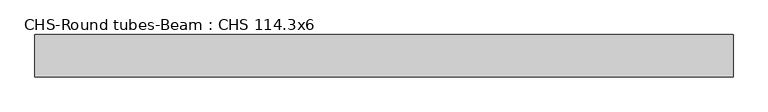
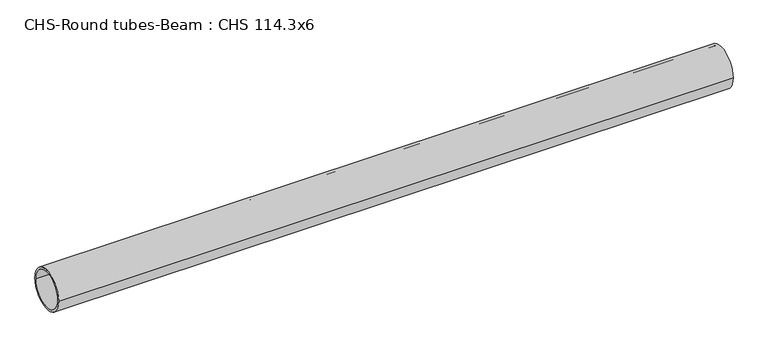
"""IFC4 building model written with IfcOpenShell, lengths in millimetres: beam geometry, CHS-Round tubes-Beam : CHS 114.3x6."""

import ifcopenshell
import ifcopenshell.guid

model = None  # the IFC model being written
_history = None  # IfcOwnerHistory: only IFC2X3 demands one
_inside = {}  # id of a spatial element -> (the spatial element, [elements in it])
_under = {}  # id of a project, library or spatial element -> (it, [spatial elements below it])
_declared = {}  # id of a project -> (the project, [libraries it declares])
_typed = {}  # id of a type object -> (the type object, [elements of that type])
_made_of = {}  # id of a material, layer set ... -> (it, [elements and type objects made of it])


def new_model(schema):
    """Start an empty IFC model of exactly this schema.

    Asked for "IFC4X3", IfcOpenShell would pick the latest addendum, in which some entities
    have other attributes; the version numbers below select the first issue.
    IFC2X3 requires an IfcOwnerHistory on every rooted entity: one is made here for all.
    """
    global model, _history
    if schema == "IFC4X3":
        model = ifcopenshell.file(schema_version=(4, 3, 0, 0))
    else:
        model = ifcopenshell.file(schema=schema)
    _inside.clear()
    _under.clear()
    _declared.clear()
    _typed.clear()
    _made_of.clear()
    _history = None
    if model.schema == "IFC2X3":
        org = make("IfcOrganization", Name="unknown")
        user = make(
            "IfcPersonAndOrganization",
            ThePerson=make("IfcPerson", FamilyName="unknown"),
            TheOrganization=org,
        )
        app = make(
            "IfcApplication",
            ApplicationDeveloper=org,
            Version="unknown",
            ApplicationFullName="unknown",
            ApplicationIdentifier="unknown",
        )
        _history = make(
            "IfcOwnerHistory",
            OwningUser=user,
            OwningApplication=app,
            ChangeAction="ADDED",
            CreationDate=0,
        )
    return model


def make(cls, **values):
    """One entity of the class cls with the attributes given. An attribute that is None is left unset."""
    return model.create_entity(
        cls, **{name: value for name, value in values.items() if value is not None}
    )


def rooted(cls, **values):
    """An entity with a GlobalId (a new one), such as an element, a storey or a relation."""
    return make(cls, GlobalId=ifcopenshell.guid.new(), OwnerHistory=_history, **values)


def si_unit(unit_type, name, prefix=None):
    """IfcSIUnit, for example si_unit("LENGTHUNIT", "METRE", prefix="MILLI")."""
    return make("IfcSIUnit", UnitType=unit_type, Prefix=prefix, Name=name)


def assignment(units):
    """IfcUnitAssignment: the units of a project."""
    return None if units is None else make("IfcUnitAssignment", Units=units)


def point(xyz):
    """IfcCartesianPoint."""
    return None if xyz is None else make("IfcCartesianPoint", Coordinates=xyz)


def direction(xyz):
    """IfcDirection."""
    return None if xyz is None else make("IfcDirection", DirectionRatios=xyz)


def frame(location, z_axis=None, x_axis=None):
    """IfcAxis2Placement3D, a coordinate frame: its origin and axes. An axis left out is left unset."""
    return make(
        "IfcAxis2Placement3D",
        Location=point(location),
        Axis=direction(z_axis),
        RefDirection=direction(x_axis),
    )


def frame_2d(location, x_axis=None):
    """IfcAxis2Placement2D, a coordinate frame in the plane: its origin and x axis."""
    return make(
        "IfcAxis2Placement2D", Location=point(location), RefDirection=direction(x_axis)
    )


def origin():
    """The frame at (0, 0, 0) with its axes left unset."""
    return frame((0.0, 0.0, 0.0))


def origin_2d():
    """The frame at (0, 0) in the plane with its x axis left unset."""
    return frame_2d((0.0, 0.0))


def place(relative_to, where):
    """IfcLocalPlacement: puts the frame where relative to a parent placement (None: the world)."""
    return make(
        "IfcLocalPlacement", PlacementRelTo=relative_to, RelativePlacement=where
    )


def context(
    kind, dimensions, precision=None, world=None, true_north=None, identifier=None
):
    """IfcGeometricRepresentationContext, for example the 3D "Model" context."""
    return make(
        "IfcGeometricRepresentationContext",
        ContextIdentifier=identifier,
        ContextType=kind,
        CoordinateSpaceDimension=dimensions,
        Precision=precision,
        WorldCoordinateSystem=world,
        TrueNorth=true_north,
    )


def project(units=None, contexts=None):
    """IfcProject with its units and contexts."""
    return rooted(
        "IfcProject",
        Name="project",
        RepresentationContexts=contexts,
        UnitsInContext=assignment(units),
    )


def spatial(cls, under=None, at=None, **own):
    """A site, building, storey or space (cls), placed at a placement, below another one or the project."""
    s = rooted(cls, ObjectPlacement=at, **own)
    if under is not None:
        _under.setdefault(under.id(), (under, []))[1].append(s)
    return s


def circle_curve(where, radius):
    """IfcCircle in the frame where."""
    return make("IfcCircle", Position=where, Radius=radius)


def trimmed(basis, trim1, trim2, sense, master):
    """IfcTrimmedCurve: the piece of a basis curve between two trims."""
    return make(
        "IfcTrimmedCurve",
        BasisCurve=basis,
        Trim1=trim1,
        Trim2=trim2,
        SenseAgreement=sense,
        MasterRepresentation=master,
    )


def segment(curve, same_sense, transition):
    """IfcCompositeCurveSegment."""
    return make(
        "IfcCompositeCurveSegment",
        Transition=transition,
        SameSense=same_sense,
        ParentCurve=curve,
    )


def composite_curve(segments, self_intersect=None):
    """IfcCompositeCurve: segments joined end to end."""
    return make("IfcCompositeCurve", Segments=segments, SelfIntersect=self_intersect)


def outline(outer, holes=None, kind="AREA"):
    """IfcArbitraryClosedProfileDef: a profile drawn as a closed curve; with holes, ...WithVoids."""
    if holes is None:
        return make("IfcArbitraryClosedProfileDef", ProfileType=kind, OuterCurve=outer)
    return make(
        "IfcArbitraryProfileDefWithVoids",
        ProfileType=kind,
        OuterCurve=outer,
        InnerCurves=holes,
    )


def extrude(swept, where, along, depth):
    """IfcExtrudedAreaSolid: the profile swept, set in the frame where, extruded along a direction by depth."""
    return make(
        "IfcExtrudedAreaSolid",
        SweptArea=swept,
        Position=where,
        ExtrudedDirection=direction(along),
        Depth=depth,
    )


def shape(context_of_items, identifier, shape_type, items):
    """IfcShapeRepresentation: the items that make up one representation, for example the "Body"."""
    return make(
        "IfcShapeRepresentation",
        ContextOfItems=context_of_items,
        RepresentationIdentifier=identifier,
        RepresentationType=shape_type,
        Items=items,
    )


def source(mapping_origin, context_of_items, identifier, shape_type, items):
    """IfcRepresentationMap: a shape defined once, which mapped items show again and again."""
    return make(
        "IfcRepresentationMap",
        MappingOrigin=mapping_origin,
        MappedRepresentation=shape(context_of_items, identifier, shape_type, items),
    )


def transform(
    local_origin,
    x_axis=None,
    y_axis=None,
    z_axis=None,
    scale=None,
    scale2=None,
    scale3=None,
    uniform=True,
):
    """IfcCartesianTransformationOperator3D, or its non-uniform kind. x_axis, y_axis, z_axis: its Axis1, 2, 3."""
    if uniform:
        return make(
            "IfcCartesianTransformationOperator3D",
            Axis1=direction(x_axis),
            Axis2=direction(y_axis),
            LocalOrigin=point(local_origin),
            Scale=scale,
            Axis3=direction(z_axis),
        )
    return make(
        "IfcCartesianTransformationOperator3DnonUniform",
        Axis1=direction(x_axis),
        Axis2=direction(y_axis),
        LocalOrigin=point(local_origin),
        Scale=scale,
        Axis3=direction(z_axis),
        Scale2=scale2,
        Scale3=scale3,
    )


def mapped(mapping_source, mapping_target):
    """IfcMappedItem: shows the shape of a source again, moved by a transform."""
    return make(
        "IfcMappedItem", MappingSource=mapping_source, MappingTarget=mapping_target
    )


def made_of(thing, what):
    """Note that an element or type object is made of a material, layer set ...; save() writes the relation."""
    if what is not None:
        _made_of.setdefault(what.id(), (what, []))[1].append(thing)
    return thing


def element(
    cls,
    number,
    at=None,
    inside=None,
    cuts=None,
    type_object=None,
    material=None,
    context=None,
    identifier="Body",
    shape_type=None,
    held_by="IfcProductDefinitionShape",
    body=None,
    shapes=None,
    **own,
):
    """One element of the class cls, such as IfcWall. Its Tag is "e" and its number.

    at: its placement. inside: the storey or other place that contains it. cuts: it is an
    opening in that element (IfcRelVoidsElement). A single representation is given by context,
    identifier, shape_type and body (its items); several are given by shapes. held_by: the class
    of the entity that holds the representations. save() writes the other relations.
    """
    e = rooted(cls, Tag="e%d" % number, ObjectPlacement=at, **own)
    if body is not None:
        shapes = [shape(context, identifier, shape_type, body)]
    if shapes is not None:
        e.Representation = make(held_by, Representations=shapes)
    if inside is not None:
        _inside.setdefault(inside.id(), (inside, []))[1].append(e)
    if cuts is not None:
        rooted(
            "IfcRelVoidsElement", RelatingBuildingElement=cuts, RelatedOpeningElement=e
        )
    if type_object is not None:
        _typed.setdefault(type_object.id(), (type_object, []))[1].append(e)
    return made_of(e, material)


def aggregate(whole, parts):
    """IfcRelAggregates: a whole, such as a stair, and the parts it consists of."""
    return rooted("IfcRelAggregates", RelatingObject=whole, RelatedObjects=parts)


def save(model, path):
    """Write the relations noted so far, then the file.

    IfcRelAggregates (storeys below a building ...), IfcRelContainedInSpatialStructure (elements
    in a storey), IfcRelDefinesByType, IfcRelAssociatesMaterial and IfcRelDeclares: one each for
    every whole, place, type object, material and project.
    """
    for whole, parts in _under.values():
        aggregate(whole, parts)
    for where, things in _inside.values():
        rooted(
            "IfcRelContainedInSpatialStructure",
            RelatedElements=things,
            RelatingStructure=where,
        )
    for kind, things in _typed.values():
        rooted("IfcRelDefinesByType", RelatedObjects=things, RelatingType=kind)
    for what, things in _made_of.values():
        rooted("IfcRelAssociatesMaterial", RelatedObjects=things, RelatingMaterial=what)
    for by, libraries in _declared.values():
        rooted("IfcRelDeclares", RelatingContext=by, RelatedDefinitions=libraries)
    model.write(path)


def chs_round_tubes_beam_chs_114_3x6_885fc8cd(model_context):
    return source(origin(), model_context, "Body", "SweptSolid", [
        extrude(outline(composite_curve([segment(trimmed(circle_curve(origin_2d(), 57.15), [point((57.15, 0.0))], [point((-57.15, 0.0))], False, "CARTESIAN"), True, "CONTINUOUS"), segment(trimmed(circle_curve(origin_2d(), 57.15), [point((-57.15, 0.0))], [point((57.15, 0.0))], False, "CARTESIAN"), True, "CONTINUOUS")], self_intersect=False), holes=[composite_curve([segment(trimmed(circle_curve(origin_2d(), 51.15), [point((51.15, 0.0))], [point((-51.15, 0.0))], True, "CARTESIAN"), True, "CONTINUOUS"), segment(trimmed(circle_curve(origin_2d(), 51.15), [point((-51.15, 0.0))], [point((51.15, 0.0))], True, "CARTESIAN"), True, "CONTINUOUS")], self_intersect=False)]), frame((-940.7195784, 0.0, 0.0), z_axis=(1.0, 0.0, 0.0), x_axis=(0.0, 1.0, 0.0)), (0.0, 0.0, 1.0), 1876.5022577),
    ])


if __name__ == "__main__":
    model = new_model("IFC4")
    model_context = context("Model", 3, world=origin())
    ifc_project = project(units=[si_unit("LENGTHUNIT", "METRE", prefix="MILLI")], contexts=[model_context])
    site = spatial("IfcSite", under=ifc_project)
    building = spatial("IfcBuilding", under=site)
    placement = place(None, origin())
    chs_round_tubes_beam_chs_114_3x6_shape = chs_round_tubes_beam_chs_114_3x6_885fc8cd(model_context)
    element("IfcBeam", 1, ObjectType="CHS-Round tubes-Beam : CHS 114.3x6", at=placement, inside=building, context=model_context, shape_type="MappedRepresentation", body=[
        mapped(chs_round_tubes_beam_chs_114_3x6_shape, transform((0.0, 0.0, 0.0), x_axis=(1.0, 0.0, 0.0), y_axis=(0.0, 1.0, 0.0), z_axis=(0.0, 0.0, 1.0))),
    ])
    save(model, "model.ifc")
